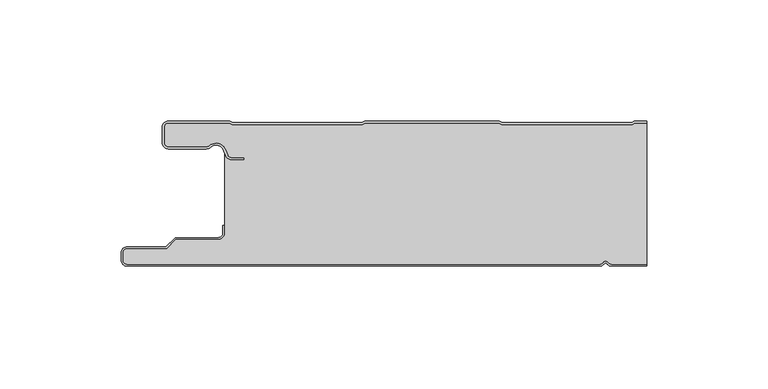
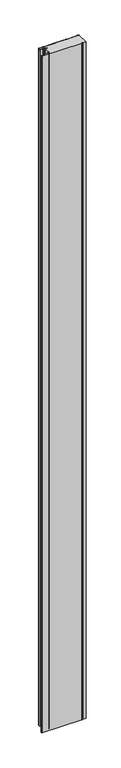
"""IFC4 building model written with IfcOpenShell, lengths in millimetres: plate geometry."""

from ifc_helpers import new_model, si_unit, point, frame_2d, origin, origin_with_axes, place, context, project, spatial, polyline, circle_curve, trimmed, segment, composite_curve, outline, extrude, source, transform, mapped, element, save


def plate_57c64825(model_context):
    return source(origin(), model_context, "Body", "SweptSolid", [
        extrude(outline(composite_curve([segment(trimmed(circle_curve(frame_2d((-97.49499, -9.0180361)), 2.50501), [point((-97.49499, -11.5230461))], [point((-100.0, -9.0180361))], False, "CARTESIAN"), True, "CONTINUOUS"), segment(polyline([(-100.0, -9.0180361), (-100.0, -2.50501)]), True, "CONTINUOUS"), segment(trimmed(circle_curve(frame_2d((-97.49499, -2.50501)), 2.50501), [point((-100.0, -2.50501))], [point((-97.49499, 0.0))], False, "CARTESIAN"), True, "CONTINUOUS"), segment(polyline([(-97.49499, 0.0), (-72.2103007, 0.0), (-71.028188, -0.6012024), (-17.6391467, -0.6012024), (-16.457034, 0.0), (39.1223647, 0.0), (40.3044773, -0.6012024), (93.6935186, -0.6012024), (94.8756313, 0.0), (100.0, 0.0), (100.0, -0.8), (95.0673777, -0.8), (93.885265, -1.4012024), (40.112731, -1.4012024), (38.9306183, -0.8), (-16.2652876, -0.8), (-17.4474003, -1.4012024), (-71.2199344, -1.4012024), (-72.4020471, -0.8), (-97.49499, -0.8)]), True, "CONTINUOUS"), segment(trimmed(circle_curve(frame_2d((-97.49499, -2.50501)), 1.70501), [point((-97.49499, -0.8))], [point((-99.2, -2.50501))], True, "CARTESIAN"), True, "CONTINUOUS"), segment(polyline([(-99.2, -2.50501), (-99.2, -9.0180361)]), True, "CONTINUOUS"), segment(trimmed(circle_curve(frame_2d((-97.49499, -9.0180361)), 1.70501), [point((-99.2, -9.0180361))], [point((-97.49499, -10.7230461))], True, "CARTESIAN"), True, "CONTINUOUS"), segment(polyline([(-97.49499, -10.7230461), (-81.8173283, -10.7230461)]), True, "CONTINUOUS"), segment(trimmed(circle_curve(frame_2d((-81.8173283, -9.0180361)), 1.70501), [point((-81.8173283, -10.7230461))], [point((-80.6895701, -10.2967936))], True, "CARTESIAN"), True, "CONTINUOUS"), segment(trimmed(circle_curve(frame_2d((-77.8407481, -13.5270541)), 4.307014), [point((-80.6895701, -10.2967936))], [point((-73.7934788, -12.0539686))], False, "CARTESIAN"), True, "CONTINUOUS"), segment(polyline([(-73.7934788, -12.0539686), (-73.0450711, -14.1102019)]), True, "CONTINUOUS"), segment(trimmed(circle_curve(frame_2d((-71.4428858, -13.5270541)), 1.70501), [point((-73.0450711, -14.1102019))], [point((-71.4428858, -15.2320641))], True, "CARTESIAN"), True, "CONTINUOUS"), segment(polyline([(-71.4428858, -15.2320641), (-66.4328657, -15.2320641), (-66.4328657, -16.0320641), (-71.4428858, -16.0320641)]), True, "CONTINUOUS"), segment(trimmed(circle_curve(frame_2d((-71.4428858, -13.5270541)), 2.50501), [point((-71.4428858, -16.0320641))], [point((-73.7968252, -14.383818))], False, "CARTESIAN"), True, "CONTINUOUS"), segment(polyline([(-73.7968252, -14.383818), (-74.5452329, -12.3275847)]), True, "CONTINUOUS"), segment(trimmed(circle_curve(frame_2d((-77.8407481, -13.5270541)), 3.507014), [point((-74.5452329, -12.3275847))], [point((-80.1604199, -10.8967936))], True, "CARTESIAN"), True, "CONTINUOUS"), segment(trimmed(circle_curve(frame_2d((-81.8173283, -9.0180361)), 2.50501), [point((-80.1604199, -10.8967936))], [point((-81.8173283, -11.5230461))], False, "CARTESIAN"), True, "CONTINUOUS"), segment(polyline([(-81.8173283, -11.5230461), (-97.49499, -11.5230461)]), True, "CONTINUOUS")], self_intersect=False)), origin_with_axes(), (0.0, 0.0, 1.0), 3500.0),
        extrude(outline(composite_curve([segment(trimmed(circle_curve(frame_2d((85.5, -57.5)), 1.7), [point((85.5, -59.2))], [point((84.0845596, -58.4415563))], False, "CARTESIAN"), True, "CONTINUOUS"), segment(trimmed(circle_curve(frame_2d((83.0, -59.1630095)), 1.302599), [point((84.0845596, -58.4415563))], [point((81.9154404, -58.4415563))], True, "CARTESIAN"), True, "CONTINUOUS"), segment(trimmed(circle_curve(frame_2d((80.5, -57.5)), 1.7), [point((81.9154404, -58.4415563))], [point((80.5, -59.2))], False, "CARTESIAN"), True, "CONTINUOUS"), segment(polyline([(80.5, -59.2), (-114.5, -59.2)]), True, "CONTINUOUS"), segment(trimmed(circle_curve(frame_2d((-114.5, -57.5)), 1.7), [point((-114.5, -59.2))], [point((-116.2, -57.5))], False, "CARTESIAN"), True, "CONTINUOUS"), segment(polyline([(-116.2, -57.5), (-116.2, -54.5)]), True, "CONTINUOUS"), segment(trimmed(circle_curve(frame_2d((-114.5, -54.5)), 1.7), [point((-116.2, -54.5))], [point((-114.5, -52.8))], False, "CARTESIAN"), True, "CONTINUOUS"), segment(polyline([(-114.5, -52.8), (-98.1686292, -52.8), (-94.4186292, -49.05), (-77.0, -49.05)]), True, "CONTINUOUS"), segment(trimmed(circle_curve(frame_2d((-77.0, -46.25)), 2.8), [point((-77.0, -49.05))], [point((-74.2, -46.25))], True, "CARTESIAN"), True, "CONTINUOUS"), segment(polyline([(-74.2, -46.25), (-74.2, -11.2258973)]), True, "CONTINUOUS"), segment(trimmed(circle_curve(frame_2d((-77.8407481, -13.5270541)), 4.307014), [point((-74.2, -11.2258973))], [point((-80.6895701, -10.2967936))], True, "CARTESIAN"), True, "CONTINUOUS"), segment(trimmed(circle_curve(frame_2d((-81.8173283, -9.0180361)), 1.70501), [point((-80.6895701, -10.2967936))], [point((-81.8173283, -10.7230461))], False, "CARTESIAN"), True, "CONTINUOUS"), segment(polyline([(-81.8173283, -10.7230461), (-97.49499, -10.7230461)]), True, "CONTINUOUS"), segment(trimmed(circle_curve(frame_2d((-97.49499, -9.0180361)), 1.70501), [point((-97.49499, -10.7230461))], [point((-99.2, -9.0180361))], False, "CARTESIAN"), True, "CONTINUOUS"), segment(polyline([(-99.2, -9.0180361), (-99.2, -2.50501)]), True, "CONTINUOUS"), segment(trimmed(circle_curve(frame_2d((-97.49499, -2.50501)), 1.70501), [point((-99.2, -2.50501))], [point((-97.49499, -0.8))], False, "CARTESIAN"), True, "CONTINUOUS"), segment(polyline([(-97.49499, -0.8), (-72.4020471, -0.8), (-71.2199344, -1.4012024), (-17.4474003, -1.4012024), (-16.2652876, -0.8), (38.9306183, -0.8), (40.112731, -1.4012024), (93.885265, -1.4012024), (95.0673777, -0.8), (100.0, -0.8), (100.0, -59.2), (85.5, -59.2)]), True, "CONTINUOUS")], self_intersect=False)), origin_with_axes(), (0.0, 0.0, 1.0), 3500.0),
        extrude(outline(composite_curve([segment(polyline([(80.5, -60.0), (-114.5, -60.0)]), True, "CONTINUOUS"), segment(trimmed(circle_curve(frame_2d((-114.5, -57.5)), 2.5), [point((-114.5, -60.0))], [point((-117.0, -57.5))], False, "CARTESIAN"), True, "CONTINUOUS"), segment(polyline([(-117.0, -57.5), (-117.0, -54.5)]), True, "CONTINUOUS"), segment(trimmed(circle_curve(frame_2d((-114.5, -54.5)), 2.5), [point((-117.0, -54.5))], [point((-114.5, -52.0))], False, "CARTESIAN"), True, "CONTINUOUS"), segment(polyline([(-114.5, -52.0), (-98.5, -52.0), (-94.75, -48.25), (-77.0, -48.25)]), True, "CONTINUOUS"), segment(trimmed(circle_curve(frame_2d((-77.0, -46.25)), 2.0), [point((-77.0, -48.25))], [point((-75.0, -46.25))], True, "CARTESIAN"), True, "CONTINUOUS"), segment(polyline([(-75.0, -46.25), (-75.0, -43.25), (-74.2, -43.25), (-74.2, -46.25)]), True, "CONTINUOUS"), segment(trimmed(circle_curve(frame_2d((-77.0, -46.25)), 2.8), [point((-74.2, -46.25))], [point((-77.0, -49.05))], False, "CARTESIAN"), True, "CONTINUOUS"), segment(polyline([(-77.0, -49.05), (-94.4186292, -49.05), (-98.1686292, -52.8), (-114.5, -52.8)]), True, "CONTINUOUS"), segment(trimmed(circle_curve(frame_2d((-114.5, -54.5)), 1.7), [point((-114.5, -52.8))], [point((-116.2, -54.5))], True, "CARTESIAN"), True, "CONTINUOUS"), segment(polyline([(-116.2, -54.5), (-116.2, -57.5)]), True, "CONTINUOUS"), segment(trimmed(circle_curve(frame_2d((-114.5, -57.5)), 1.7), [point((-116.2, -57.5))], [point((-114.5, -59.2))], True, "CARTESIAN"), True, "CONTINUOUS"), segment(polyline([(-114.5, -59.2), (80.5, -59.2)]), True, "CONTINUOUS"), segment(trimmed(circle_curve(frame_2d((80.5, -57.5)), 1.7), [point((80.5, -59.2))], [point((81.9154404, -58.4415563))], True, "CARTESIAN"), True, "CONTINUOUS"), segment(trimmed(circle_curve(frame_2d((83.0, -59.1630095)), 1.302599), [point((81.9154404, -58.4415563))], [point((84.0845596, -58.4415563))], False, "CARTESIAN"), True, "CONTINUOUS"), segment(trimmed(circle_curve(frame_2d((85.5, -57.5)), 1.7), [point((84.0845596, -58.4415563))], [point((85.5, -59.2))], True, "CARTESIAN"), True, "CONTINUOUS"), segment(polyline([(85.5, -59.2), (100.0, -59.2), (100.0, -60.0), (85.5, -60.0)]), True, "CONTINUOUS"), segment(trimmed(circle_curve(frame_2d((85.5, -57.5)), 2.5), [point((85.5, -60.0))], [point((83.4184699, -58.8846417))], False, "CARTESIAN"), True, "CONTINUOUS"), segment(trimmed(circle_curve(frame_2d((83.0, -59.1630095)), 0.502599), [point((83.4184699, -58.8846417))], [point((82.5815301, -58.8846417))], True, "CARTESIAN"), True, "CONTINUOUS"), segment(trimmed(circle_curve(frame_2d((80.5, -57.5)), 2.5), [point((82.5815301, -58.8846417))], [point((80.5, -60.0))], False, "CARTESIAN"), True, "CONTINUOUS")], self_intersect=False)), origin_with_axes(), (0.0, 0.0, 1.0), 3500.0),
    ])


if __name__ == "__main__":
    model = new_model("IFC4")
    model_context = context("Model", 3, world=origin())
    ifc_project = project(units=[si_unit("LENGTHUNIT", "METRE", prefix="MILLI")], contexts=[model_context])
    site = spatial("IfcSite", under=ifc_project)
    building = spatial("IfcBuilding", under=site)
    placement = place(None, origin())
    plate_shape = plate_57c64825(model_context)
    element("IfcPlate", 1, at=placement, inside=building, context=model_context, shape_type="MappedRepresentation", body=[
        mapped(plate_shape, transform((0.0, 0.0, 0.0), x_axis=(1.0, 0.0, 0.0), y_axis=(0.0, 1.0, 0.0), z_axis=(0.0, 0.0, 1.0))),
    ])
    save(model, "model.ifc")
